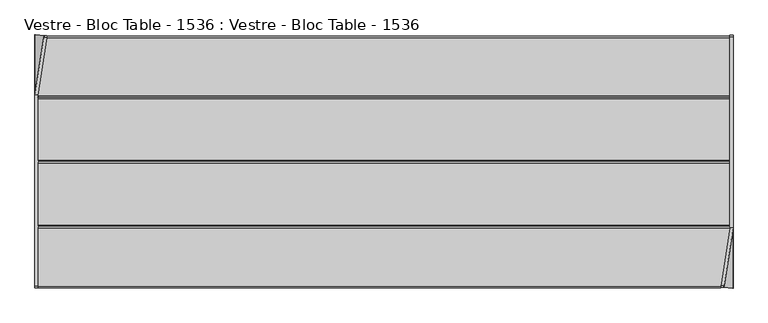
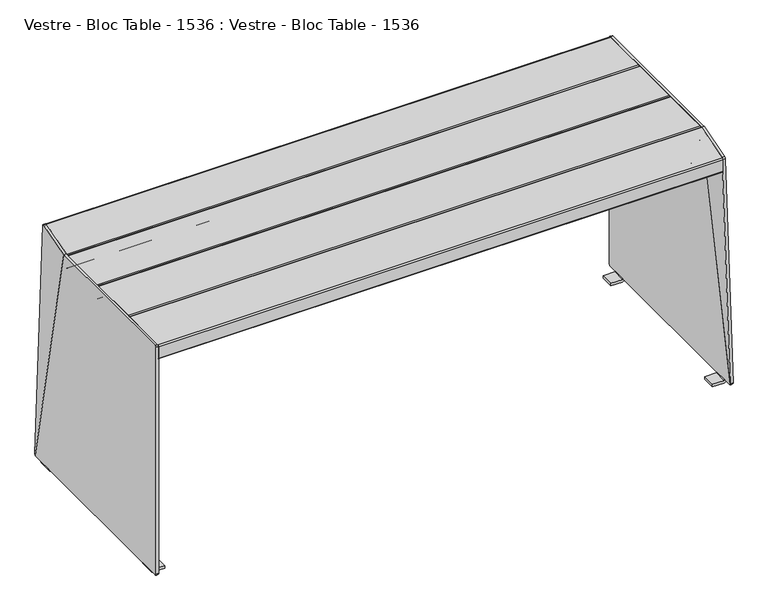
"""IFC4 building model written with IfcOpenShell, lengths in millimetres: furniture geometry, Vestre - Bloc Table - 1536 : Vestre - Bloc Table - 1536."""

from ifc_helpers import new_model, si_unit, point, frame, frame_2d, origin, place, context, project, spatial, polyline, circle_curve, ellipse_curve, trimmed, segment, composite_curve, outline, extrude, source, transform, mapped, element, save
from ifc_brep_helpers import plane_surface, cylinder_surface, revolved_surface, advanced_brep


def vestre_bloc_table_1536_vestre_bloc_table_1536_77d08b72(model_context):
    return source(origin(), model_context, "Body", "SolidModel", [
        extrude(outline(polyline([(20.5020914, -284.4050005), (-20.5020914, -284.4050005), (-20.5020914, 284.4050005), (20.5020914, 284.4050005), (20.5020914, -284.4050005)])), frame((0.0, 0.0, 689.0027779), z_axis=(0.0, 0.0, 1.0), x_axis=(1.0, 0.0, 0.0)), (0.0, 0.0, 1.0), 6.0),
        advanced_brep(
        [(-860.5, -165.5197755, 695.0027779), (-860.5, -311.0, 695.0027779), (-860.5, -315.0, 699.0027779), (-860.5, -315.0, 736.0027779), (-860.5, -311.0, 740.0027779), (-860.5, -165.47777, 740.0027779), (-860.5, -161.5197755, 736.0447834), (-860.5, -161.5197755, 699.0027779), (861.0694092, -161.5197755, 699.0027779), (860.44915, -165.5197755, 695.0027779), (861.0694092, -161.5197755, 736.0447834), (860.4556636, -165.47777, 740.0027779), (837.8902902, -311.0, 740.0027779), (837.2700311, -315.0, 736.0027779), (837.2700311, -315.0, 699.0027779), (837.8902902, -311.0, 695.0027779)],
        [
            (0, 1),
            (1, 2, circle_curve(frame((-860.5, -311.0, 699.0027779), z_axis=(-1.0, 0.0, 0.0), x_axis=(0.0, -1.0, 0.0)), 4.0)),
            (2, 3),
            (3, 4, circle_curve(frame((-860.5, -311.0, 736.0027779), z_axis=(-1.0, 0.0, 0.0), x_axis=(0.0, -1.0, 0.0)), 4.0)),
            (4, 5),
            (5, 6, circle_curve(frame((-860.5, -165.47777, 736.0447834), z_axis=(-1.0, 0.0, 0.0), x_axis=(0.0, -1.0, 0.0)), 3.9579945)),
            (6, 7),
            (7, 0, circle_curve(frame((-860.5, -165.5197755, 699.0027779), z_axis=(-1.0, 0.0, 0.0), x_axis=(0.0, -1.0, 0.0)), 4.0)),
            (7, 8),
            (8, 9, ellipse_curve(frame((860.44915, -165.5197755, 699.0027779), z_axis=(-0.9881900135788402, 0.15323347239768378, 0.0), x_axis=(0.15323347239768342, 0.9881900135788402, 0.0)), 4.0478045, 4.0)),
            (9, 0),
            (6, 10),
            (10, 8),
            (5, 11),
            (11, 10, ellipse_curve(frame((860.4556636, -165.47777, 736.0447834), z_axis=(-0.9881900135788402, 0.15323347239768378, 0.0), x_axis=(0.15323347239768342, 0.9881900135788402, 0.0)), 4.005297, 3.9579945)),
            (4, 12),
            (12, 11),
            (3, 13),
            (13, 12, ellipse_curve(frame((837.8902902, -311.0, 736.0027779), z_axis=(-0.9881900135788402, 0.15323347239768378, 0.0), x_axis=(0.15323347239768342, 0.9881900135788402, 0.0)), 4.0478045, 4.0)),
            (2, 14),
            (14, 13),
            (1, 15),
            (15, 14, ellipse_curve(frame((837.8902902, -311.0, 699.0027779), z_axis=(-0.9881900135788402, 0.15323347239768378, 0.0), x_axis=(0.15323347239768342, 0.9881900135788402, 0.0)), 4.0478045, 4.0)),
            (9, 15),
        ],
        [
            plane_surface(frame((-860.5, -169.5197755, 699.0027779), z_axis=(-1.0, 0.0, 0.0), x_axis=(0.0, 0.0, 1.0))),
            cylinder_surface(frame((-860.5, -165.5197755, 699.0027779), z_axis=(1.0, 0.0, 0.0), x_axis=(0.0, -1.0, 0.0)), 4.0),
            plane_surface(frame((885.920291, -161.5197755, 699.0027779), z_axis=(0.0, 1.0, 0.0), x_axis=(-1.0, 0.0, 0.0))),
            cylinder_surface(frame((-860.5, -165.47777, 736.0447834), z_axis=(1.0, 0.0, 0.0), x_axis=(0.0, -1.0, 0.0)), 3.9579945),
            plane_surface(frame((885.920291, -165.47777, 740.0027779), z_axis=(0.0, 0.0, 1.0), x_axis=(-1.0, 0.0, 0.0))),
            cylinder_surface(frame((-860.5, -311.0, 736.0027779), z_axis=(1.0, 0.0, 0.0), x_axis=(0.0, -1.0, 0.0)), 4.0),
            plane_surface(frame((885.920291, -315.0, 736.0027779), z_axis=(0.0, -1.0, 0.0), x_axis=(-1.0, 0.0, 0.0))),
            cylinder_surface(frame((-860.5, -311.0, 699.0027779), z_axis=(1.0, 0.0, 0.0), x_axis=(0.0, -1.0, 0.0)), 4.0),
            plane_surface(frame((885.920291, -311.0, 695.0027779), z_axis=(0.0, 0.0, -1.0), x_axis=(-1.0, 0.0, 0.0))),
            plane_surface(frame((885.106742, -6.5050005, 926.3186027), z_axis=(0.9881900135788402, -0.15323347239768378, 0.0), x_axis=(0.0, 0.0, -1.0))),
        ],
        [
            (0, [[1, 2, 3, 4, 5, 6, 7, 8]]),
            (1, [[-8, 9, 10, 11]]),
            (2, [[-7, 12, 13, -9]]),
            (3, [[-6, 14, 15, -12]]),
            (4, [[-5, 16, 17, -14]]),
            (5, [[-4, 18, 19, -16]]),
            (6, [[-3, 20, 21, -18]]),
            (7, [[-2, 22, 23, -20]]),
            (8, [[-1, -11, 24, -22]]),
            (9, [[-10, -13, -15, -17, -19, -21, -23, -24]]),
        ],
    ),
        extrude(outline(composite_curve([segment(polyline([(-4.0, -4.0), (-4.0, 142.5065702), (724.3734252, -7.1592021)]), True, "CONTINUOUS"), segment(trimmed(circle_curve(frame_2d((720.6931054, 0.4751026)), 8.4751025), [point((724.3734252, -7.1592021))], [point((720.6931054, -7.9999999))], False, "CARTESIAN"), True, "CONTINUOUS"), segment(polyline([(720.6931054, -7.9999999), (0.0, -8.0)]), True, "CONTINUOUS"), segment(trimmed(circle_curve(frame_2d((1e-07, -4.0)), 4.0), [point((0.0, -8.0))], [point((-4.0, -4.0))], False, "CARTESIAN"), True, "CONTINUOUS")], self_intersect=False)), frame((839.0093268, -304.6053434, 735.5079473), z_axis=(0.9876883405951369, -0.1532330209847901, 0.031486237188651775), x_axis=(0.03148623718865165, -0.0024273077148592374, -0.9995012381407826)), (0.0, 0.0, 1.0), 8.0),
        advanced_brep(
        [(822.0, -284.4050005, 695.0027779), (814.0, -284.4050005, 687.0027779), (814.0, -284.4050005, 682.0027779), (820.0, -284.4050005, 682.0027779), (820.0, -284.4050005, 687.0027779), (822.0, -284.4050005, 689.0027779), (842.0142381, -284.4050005, 689.0027779), (842.0142381, -284.4050005, 695.0027779), (822.0, 284.4050005, 689.0027779), (820.0, 284.4050005, 687.0027779), (820.0, 284.4050005, 682.0027779), (814.0, 284.4050005, 682.0027779), (814.0, 284.4050005, 687.0027779), (822.0, 284.4050005, 695.0027779), (860.0, 284.4050005, 695.0027779), (860.0, 284.4050005, 689.0027779), (860.0, -168.4163069, 695.0027779), (860.0, -168.4163069, 689.0027779), (814.0, 221.626226, 664.5853587), (814.0, 218.262862, 664.0027779), (814.0, -218.272863, 664.0027779), (814.0, -221.636227, 664.5853587), (820.0, -221.636227, 664.5853587), (820.0, -218.272863, 664.0027779), (820.0, 218.262862, 664.0027779), (820.0, 221.626226, 664.5853587)],
        [
            (0, 1, circle_curve(frame((822.0, -284.4050005, 687.0027779), z_axis=(0.0, -1.0, 0.0), x_axis=(-1.0, 0.0, 0.0)), 8.0)),
            (1, 2),
            (2, 3),
            (3, 4),
            (4, 5, circle_curve(frame((822.0, -284.4050005, 687.0027779), z_axis=(0.0, 1.0, 0.0), x_axis=(-1.0, 0.0, 0.0)), 2.0)),
            (5, 6),
            (6, 7),
            (7, 0),
            (8, 9, circle_curve(frame((822.0, 284.4050005, 687.0027779), z_axis=(0.0, -1.0, 0.0), x_axis=(-1.0, 0.0, 0.0)), 2.0)),
            (9, 10),
            (10, 11),
            (11, 12),
            (12, 13, circle_curve(frame((822.0, 284.4050005, 687.0027779), z_axis=(0.0, 1.0, 0.0), x_axis=(-1.0, 0.0, 0.0)), 8.0)),
            (13, 14),
            (14, 15),
            (15, 8),
            (4, 9),
            (8, 5),
            (0, 13),
            (12, 1),
            (7, 16),
            (16, 14),
            (16, 17),
            (17, 15),
            (17, 6),
            (11, 18),
            (18, 19, circle_curve(frame((814.0, 218.262862, 674.0027779), z_axis=(-1.0, 0.0, 0.0), x_axis=(0.0, -1.0, 0.0)), 10.0)),
            (19, 20),
            (20, 21, circle_curve(frame((814.0, -218.272863, 674.0027779), z_axis=(-1.0, 0.0, 0.0), x_axis=(0.0, -1.0, 0.0)), 10.0)),
            (21, 2),
            (3, 22),
            (22, 23, circle_curve(frame((820.0, -218.272863, 674.0027779), z_axis=(1.0, 0.0, 0.0), x_axis=(0.0, -1.0, 0.0)), 10.0)),
            (23, 24),
            (24, 25, circle_curve(frame((820.0, 218.262862, 674.0027779), z_axis=(1.0, 0.0, 0.0), x_axis=(0.0, -1.0, 0.0)), 10.0)),
            (25, 10),
            (21, 22),
            (20, 23),
            (19, 24),
            (18, 25),
        ],
        [
            plane_surface(frame((860.0, -284.4050005, 689.0027779), z_axis=(0.0, -1.0, 0.0), x_axis=(1.0, 0.0, 0.0))),
            plane_surface(frame((860.0, 284.4050005, 689.0027779), z_axis=(0.0, 1.0, 0.0), x_axis=(-1.0, 0.0, 0.0))),
            revolved_surface(polyline([(820.0, 284.4050005, 687.0027779), (820.0, -284.4050005, 687.0027779)]), (822.0, 284.4050005, 687.0027779), (0.0, 1.0, 0.0)),
            cylinder_surface(frame((822.0, 284.4050005, 687.0027779), z_axis=(0.0, -1.0, 0.0), x_axis=(-1.0, 0.0, 0.0)), 8.0),
            plane_surface(frame((860.0, -284.4050005, 695.0027779), z_axis=(0.0, 0.0, 1.0), x_axis=(0.0, 1.0, 0.0))),
            plane_surface(frame((860.0, -284.4050005, 689.0027779), z_axis=(1.0, 0.0, 0.0), x_axis=(0.0, 1.0, 0.0))),
            plane_surface(frame((822.0, -284.4050005, 689.0027779), z_axis=(0.0, 0.0, -1.0), x_axis=(0.0, 1.0, 0.0))),
            plane_surface(frame((814.0, -284.4050005, 687.0027779), z_axis=(-1.0, 0.0, 0.0), x_axis=(0.0, 0.0, 1.0))),
            plane_surface(frame((820.0, -284.4050005, 687.0027779), z_axis=(1.0, 0.0, 0.0), x_axis=(0.0, 0.0, -1.0))),
            plane_surface(frame((814.0, -221.636227, 664.5853587), z_axis=(0.0, -0.26738231551867175, -0.9635905236914036), x_axis=(1.0, 0.0, 0.0))),
            cylinder_surface(frame((820.0, -218.272863, 674.0027779), z_axis=(-1.0, 0.0, 0.0), x_axis=(0.0, -1.0, 0.0)), 10.0),
            plane_surface(frame((814.0, 218.262862, 664.0027779), z_axis=(0.0, 0.0, -1.0), x_axis=(1.0, 0.0, 0.0))),
            cylinder_surface(frame((820.0, 218.262862, 674.0027779), z_axis=(-1.0, 0.0, 0.0), x_axis=(0.0, -1.0, 0.0)), 10.0),
            plane_surface(frame((814.0, 284.4050005, 682.0027779), z_axis=(0.0, 0.2673427646759247, -0.9636014975992063), x_axis=(1.0, 0.0, 0.0))),
            plane_surface(frame((885.106742, -6.5050005, 926.3186027), z_axis=(0.9881900135788402, -0.15323347239768378, 0.0), x_axis=(0.0, 0.0, -1.0))),
        ],
        [
            (0, [[1, 2, 3, 4, 5, 6, 7, 8]]),
            (1, [[9, 10, 11, 12, 13, 14, 15, 16]]),
            (2, [[-5, 17, -9, 18]]),
            (3, [[-1, 19, -13, 20]]),
            (4, [[-14, -19, -8, 21, 22]]),
            (5, [[-15, -22, 23, 24]]),
            (6, [[-16, -24, 25, -6, -18]]),
            (7, [[-2, -20, -12, 26, 27, 28, 29, 30]]),
            (8, [[31, 32, 33, 34, 35, -10, -17, -4]]),
            (9, [[-30, 36, -31, -3]]),
            (10, [[-29, 37, -32, -36]]),
            (11, [[-28, 38, -33, -37]]),
            (12, [[-27, 39, -34, -38]]),
            (13, [[-26, -11, -35, -39]]),
            (14, [[-7, -25, -23, -21]]),
        ],
    ),
        advanced_brep(
        [(806.0, -284.4050005, 689.0027779), (808.0, -284.4050005, 687.0027779), (808.0, -284.4050005, 682.0027779), (814.0, -284.4050005, 682.0027779), (814.0, -284.4050005, 687.0027779), (806.0, -284.4050005, 695.0027779), (768.0, -284.4050005, 695.0027779), (768.0, -284.4050005, 689.0027779), (806.0, 284.4050005, 689.0027779), (768.0, 284.4050005, 689.0027779), (768.0, 284.4050005, 695.0027779), (806.0, 284.4050005, 695.0027779), (814.0, 284.4050005, 687.0027779), (814.0, 284.4050005, 682.0027779), (808.0, 284.4050005, 682.0027779), (808.0, 284.4050005, 687.0027779), (814.0, -221.636227, 664.5853587), (814.0, -218.272863, 664.0027779), (814.0, 218.262862, 664.0027779), (814.0, 221.626226, 664.5853587), (808.0, 221.626226, 664.5853587), (808.0, 218.262862, 664.0027779), (808.0, -218.272863, 664.0027779), (808.0, -221.636227, 664.5853587)],
        [
            (0, 1, circle_curve(frame((806.0, -284.4050005, 687.0027779), z_axis=(0.0, 1.0, 0.0), x_axis=(1.0, 0.0, 0.0)), 2.0)),
            (1, 2),
            (2, 3),
            (3, 4),
            (4, 5, circle_curve(frame((806.0, -284.4050005, 687.0027779), z_axis=(0.0, -1.0, 0.0), x_axis=(1.0, 0.0, 0.0)), 8.0)),
            (5, 6),
            (6, 7),
            (7, 0),
            (8, 9),
            (9, 10),
            (10, 11),
            (11, 12, circle_curve(frame((806.0, 284.4050005, 687.0027779), z_axis=(0.0, 1.0, 0.0), x_axis=(1.0, 0.0, 0.0)), 8.0)),
            (12, 13),
            (13, 14),
            (14, 15),
            (15, 8, circle_curve(frame((806.0, 284.4050005, 687.0027779), z_axis=(0.0, -1.0, 0.0), x_axis=(1.0, 0.0, 0.0)), 2.0)),
            (0, 8),
            (15, 1),
            (4, 12),
            (11, 5),
            (10, 6),
            (9, 7),
            (3, 16),
            (16, 17, circle_curve(frame((814.0, -218.272863, 674.0027779), z_axis=(1.0, 0.0, 0.0), x_axis=(0.0, -1.0, 0.0)), 10.0)),
            (17, 18),
            (18, 19, circle_curve(frame((814.0, 218.262862, 674.0027779), z_axis=(1.0, 0.0, 0.0), x_axis=(0.0, -1.0, 0.0)), 10.0)),
            (19, 13),
            (14, 20),
            (20, 21, circle_curve(frame((808.0, 218.262862, 674.0027779), z_axis=(-1.0, 0.0, 0.0), x_axis=(0.0, -1.0, 0.0)), 10.0)),
            (21, 22),
            (22, 23, circle_curve(frame((808.0, -218.272863, 674.0027779), z_axis=(-1.0, 0.0, 0.0), x_axis=(0.0, -1.0, 0.0)), 10.0)),
            (23, 2),
            (23, 16),
            (22, 17),
            (21, 18),
            (20, 19),
        ],
        [
            plane_surface(frame((808.0, -284.4050005, 687.0027779), z_axis=(0.0, -1.0, 0.0), x_axis=(0.0, 0.0, -1.0))),
            plane_surface(frame((808.0, 284.4050005, 687.0027779), z_axis=(0.0, 1.0, 0.0), x_axis=(0.0, 0.0, 1.0))),
            revolved_surface(polyline([(808.0, 284.4050005, 687.0027779), (808.0, -284.4050005, 687.0027779)]), (806.0, 284.4050005, 687.0027779), (0.0, 1.0, 0.0)),
            cylinder_surface(frame((806.0, 284.4050005, 687.0027779), z_axis=(0.0, -1.0, 0.0), x_axis=(1.0, 0.0, 0.0)), 8.0),
            plane_surface(frame((806.0, -284.4050005, 695.0027779), z_axis=(0.0, 0.0, 1.0), x_axis=(0.0, 1.0, 0.0))),
            plane_surface(frame((768.0, -284.4050005, 695.0027779), z_axis=(-1.0, 0.0, 0.0), x_axis=(0.0, 1.0, 0.0))),
            plane_surface(frame((768.0, -284.4050005, 689.0027779), z_axis=(0.0, 0.0, -1.0), x_axis=(0.0, 1.0, 0.0))),
            plane_surface(frame((814.0, -221.636227, 664.5853587), z_axis=(1.0, 0.0, 0.0), x_axis=(0.0, 0.9635905236914036, -0.26738231551867175))),
            plane_surface(frame((808.0, -221.636227, 664.5853587), z_axis=(-1.0, 0.0, 0.0), x_axis=(0.0, -0.9635905236914036, 0.26738231551867175))),
            plane_surface(frame((814.0, -284.4050005, 682.0027779), z_axis=(0.0, -0.26738231551867175, -0.9635905236914036), x_axis=(-1.0, 0.0, 0.0))),
            cylinder_surface(frame((808.0, -218.272863, 674.0027779), z_axis=(1.0, 0.0, 0.0), x_axis=(0.0, -1.0, 0.0)), 10.0),
            plane_surface(frame((814.0, -218.272863, 664.0027779), z_axis=(0.0, 0.0, -1.0), x_axis=(-1.0, 0.0, 0.0))),
            cylinder_surface(frame((808.0, 218.262862, 674.0027779), z_axis=(1.0, 0.0, 0.0), x_axis=(0.0, -1.0, 0.0)), 10.0),
            plane_surface(frame((814.0, 221.626226, 664.5853587), z_axis=(0.0, 0.2673427646759247, -0.9636014975992063), x_axis=(-1.0, 0.0, 0.0))),
        ],
        [
            (0, [[1, 2, 3, 4, 5, 6, 7, 8]]),
            (1, [[9, 10, 11, 12, 13, 14, 15, 16]]),
            (2, [[-1, 17, -16, 18]]),
            (3, [[-5, 19, -12, 20]]),
            (4, [[-6, -20, -11, 21]]),
            (5, [[-7, -21, -10, 22]]),
            (6, [[-8, -22, -9, -17]]),
            (7, [[23, 24, 25, 26, 27, -13, -19, -4]]),
            (8, [[-2, -18, -15, 28, 29, 30, 31, 32]]),
            (9, [[-23, -3, -32, 33]]),
            (10, [[-24, -33, -31, 34]]),
            (11, [[-25, -34, -30, 35]]),
            (12, [[-26, -35, -29, 36]]),
            (13, [[-27, -36, -28, -14]]),
        ],
    ),
        advanced_brep(
        [(824.181415, -285.0, 0.0), (858.5, -285.0, 0.0), (868.5, -285.0, 10.0), (860.5, -285.0, 10.0), (858.5, -285.0, 8.0), (824.181415, -285.0, 8.0), (824.181415, -245.0, 0.0), (824.181415, -245.0, 8.0), (858.5, -245.0, 8.0), (860.5, -245.0, 10.0), (868.5, -245.0, 10.0), (858.5, -245.0, 0.0), (824.181415, 285.0, 0.0), (824.181415, 285.0, 8.0), (858.5, 285.0, 8.0), (860.5, 285.0, 10.0), (868.5, 285.0, 10.0), (858.5, 285.0, 0.0), (824.181415, 245.0, 0.0), (858.5, 245.0, 0.0), (868.5, 245.0, 10.0), (860.5, 245.0, 10.0), (858.5, 245.0, 8.0), (824.181415, 245.0, 8.0), (868.5, -165.0, 740.0), (868.5, -314.6452505, 11.7264477), (868.5, -311.3305667, 10.0), (868.5, 311.0, 10.0), (868.5, 315.0, 14.0), (868.5, 315.0, 736.0), (868.5, 311.0, 740.0), (860.5, -165.0, 740.0), (860.5, 311.0, 740.0), (860.5, 315.0, 736.0), (860.5, 315.0, 14.0), (860.5, 311.0, 10.0), (860.5, -311.3305667, 10.0), (860.5, -314.6452505, 11.7264477)],
        [
            (0, 1),
            (1, 2, circle_curve(frame((858.5, -285.0, 10.0), z_axis=(0.0, -1.0, 0.0), x_axis=(-1.0, 0.0, 0.0)), 10.0)),
            (2, 3),
            (3, 4, circle_curve(frame((858.5, -285.0, 10.0), z_axis=(0.0, 1.0, 0.0), x_axis=(-1.0, 0.0, 0.0)), 2.0)),
            (4, 5),
            (5, 0),
            (6, 7),
            (7, 8),
            (8, 9, circle_curve(frame((858.5, -245.0, 10.0), z_axis=(0.0, -1.0, 0.0), x_axis=(-1.0, 0.0, 0.0)), 2.0)),
            (9, 10),
            (10, 11, circle_curve(frame((858.5, -245.0, 10.0), z_axis=(0.0, 1.0, 0.0), x_axis=(-1.0, 0.0, 0.0)), 10.0)),
            (11, 6),
            (5, 7),
            (6, 0),
            (4, 8),
            (11, 1),
            (3, 9),
            (10, 2),
            (12, 13),
            (13, 14),
            (14, 15, circle_curve(frame((858.5, 285.0, 10.0), z_axis=(0.0, -1.0, 0.0), x_axis=(-1.0, 0.0, 0.0)), 2.0)),
            (15, 16),
            (16, 17, circle_curve(frame((858.5, 285.0, 10.0), z_axis=(0.0, 1.0, 0.0), x_axis=(-1.0, 0.0, 0.0)), 10.0)),
            (17, 12),
            (18, 19),
            (19, 20, circle_curve(frame((858.5, 245.0, 10.0), z_axis=(0.0, -1.0, 0.0), x_axis=(-1.0, 0.0, 0.0)), 10.0)),
            (20, 21),
            (21, 22, circle_curve(frame((858.5, 245.0, 10.0), z_axis=(0.0, 1.0, 0.0), x_axis=(-1.0, 0.0, 0.0)), 2.0)),
            (22, 23),
            (23, 18),
            (12, 18),
            (23, 13),
            (22, 14),
            (17, 19),
            (21, 15),
            (16, 20),
            (24, 25),
            (25, 26, circle_curve(frame((868.5, -311.3305667, 14.0452283), z_axis=(1.0, 0.0, 0.0), x_axis=(0.0, 1.0, 0.0)), 4.0452283)),
            (26, 2),
            (10, 20),
            (16, 27),
            (27, 28, circle_curve(frame((868.5, 311.0, 14.0), z_axis=(1.0, 0.0, 0.0), x_axis=(0.0, 1.0, 0.0)), 4.0)),
            (28, 29),
            (29, 30, circle_curve(frame((868.5, 311.0, 736.0), z_axis=(1.0, 0.0, 0.0), x_axis=(0.0, 1.0, 0.0)), 4.0)),
            (30, 24),
            (31, 32),
            (32, 33, circle_curve(frame((860.5, 311.0, 736.0), z_axis=(-1.0, 0.0, 0.0), x_axis=(0.0, 1.0, 0.0)), 4.0)),
            (33, 34),
            (34, 35, circle_curve(frame((860.5, 311.0, 14.0), z_axis=(-1.0, 0.0, 0.0), x_axis=(0.0, 1.0, 0.0)), 4.0)),
            (35, 15),
            (21, 9),
            (3, 36),
            (36, 37, circle_curve(frame((860.5, -311.3305667, 14.0452283), z_axis=(-1.0, 0.0, 0.0), x_axis=(0.0, 1.0, 0.0)), 4.0452283)),
            (37, 31),
            (24, 31),
            (37, 25),
            (36, 26),
            (35, 27),
            (34, 28),
            (33, 29),
            (32, 30),
        ],
        [
            plane_surface(frame((858.5, -285.0, 0.0), z_axis=(0.0, -1.0, 0.0), x_axis=(1.0, 0.0, 0.0))),
            plane_surface(frame((858.5, -245.0, 0.0), z_axis=(0.0, 1.0, 0.0), x_axis=(-1.0, 0.0, 0.0))),
            plane_surface(frame((824.181415, -285.0, 8.0), z_axis=(-1.0, 0.0, 0.0), x_axis=(0.0, 1.0, 0.0))),
            plane_surface(frame((858.5, -285.0, 8.0), z_axis=(0.0, 0.0, 1.0), x_axis=(0.0, 1.0, 0.0))),
            plane_surface(frame((824.181415, -285.0, 0.0), z_axis=(0.0, 0.0, -1.0), x_axis=(0.0, 1.0, 0.0))),
            revolved_surface(polyline([(856.5, -245.0, 10.0), (856.5, -285.0, 10.0)]), (858.5, -245.0, 10.0), (0.0, 1.0, 0.0)),
            cylinder_surface(frame((858.5, -245.0, 10.0), z_axis=(0.0, -1.0, 0.0), x_axis=(-1.0, 0.0, 0.0)), 10.0),
            plane_surface(frame((824.181415, 285.0, 0.0), z_axis=(0.0, 1.0, 0.0), x_axis=(0.0, 0.0, 1.0))),
            plane_surface(frame((824.181415, 245.0, 0.0), z_axis=(0.0, -1.0, 0.0), x_axis=(0.0, 0.0, -1.0))),
            plane_surface(frame((824.181415, 285.0, 0.0), z_axis=(-1.0, 0.0, 0.0), x_axis=(0.0, -1.0, 0.0))),
            plane_surface(frame((824.181415, 285.0, 8.0), z_axis=(0.0, 0.0, 1.0), x_axis=(0.0, -1.0, 0.0))),
            plane_surface(frame((858.5, 285.0, 0.0), z_axis=(0.0, 0.0, -1.0), x_axis=(0.0, -1.0, 0.0))),
            revolved_surface(polyline([(856.5, 245.0, 10.0), (856.5, 285.0, 10.0)]), (858.5, 245.0, 10.0), (0.0, -1.0, 0.0)),
            cylinder_surface(frame((858.5, 245.0, 10.0), z_axis=(0.0, 1.0, 0.0), x_axis=(-1.0, 0.0, 0.0)), 10.0),
            plane_surface(frame((868.5, -314.3240748, 13.2895027), z_axis=(1.0000000000000002, 0.0, 0.0), x_axis=(0.0, -0.20127429834973676, -0.9795349186342575))),
            plane_surface(frame((860.5, -314.3240748, 13.2895027), z_axis=(-1.0000000000000002, 0.0, 0.0), x_axis=(0.0, 0.20127429834973676, 0.9795349186342575))),
            plane_surface(frame((868.5, -165.0, 740.0), z_axis=(0.0, -0.9795349186342575, 0.20127429834973676), x_axis=(-1.0, 0.0, 0.0))),
            cylinder_surface(frame((860.5, -311.3305667, 14.0452283), z_axis=(1.0, 0.0, 0.0), x_axis=(0.0, 1.0, 0.0)), 4.0452283),
            plane_surface(frame((868.5, -311.3305667, 10.0), z_axis=(0.0, 0.0, -1.0), x_axis=(-1.0, 0.0, 0.0))),
            cylinder_surface(frame((860.5, 311.0, 14.0), z_axis=(1.0, 0.0, 0.0), x_axis=(0.0, 1.0, 0.0)), 4.0),
            plane_surface(frame((868.5, 315.0, 14.0), z_axis=(0.0, 1.0, 0.0), x_axis=(-1.0, 0.0, 0.0))),
            cylinder_surface(frame((860.5, 311.0, 736.0), z_axis=(1.0, 0.0, 0.0), x_axis=(0.0, 1.0, 0.0)), 4.0),
            plane_surface(frame((868.5, 311.0, 740.0), z_axis=(0.0, 0.0, 1.0), x_axis=(-1.0, 0.0, 0.0))),
        ],
        [
            (0, [[1, 2, 3, 4, 5, 6]]),
            (1, [[7, 8, 9, 10, 11, 12]]),
            (2, [[-6, 13, -7, 14]]),
            (3, [[-5, 15, -8, -13]]),
            (4, [[-1, -14, -12, 16]]),
            (5, [[-4, 17, -9, -15]]),
            (6, [[-2, -16, -11, 18]]),
            (7, [[19, 20, 21, 22, 23, 24]]),
            (8, [[25, 26, 27, 28, 29, 30]]),
            (9, [[-19, 31, -30, 32]]),
            (10, [[-20, -32, -29, 33]]),
            (11, [[-24, 34, -25, -31]]),
            (12, [[-21, -33, -28, 35]]),
            (13, [[-23, 36, -26, -34]]),
            (14, [[37, 38, 39, -18, 40, -36, 41, 42, 43, 44, 45]]),
            (15, [[46, 47, 48, 49, 50, -35, 51, -17, 52, 53, 54]]),
            (16, [[-37, 55, -54, 56]]),
            (17, [[-38, -56, -53, 57]]),
            (18, [[-40, -10, -51, -27]]),
            (18, [[-57, -52, -3, -39]]),
            (18, [[58, -41, -22, -50]]),
            (19, [[-42, -58, -49, 59]]),
            (20, [[-43, -59, -48, 60]]),
            (21, [[-44, -60, -47, 61]]),
            (22, [[-45, -61, -46, -55]]),
        ],
    ),
        advanced_brep(
        [(860.5, 308.4275882, 695.0027779), (860.5, 312.4275882, 699.0027779), (860.5, 312.4275882, 736.0447834), (860.5, 308.4695937, 740.0027779), (860.5, 164.0, 740.0027779), (860.5, 160.0, 736.0027779), (860.5, 160.0, 699.0027779), (860.5, 164.0, 695.0027779), (-838.2891807, 308.4275882, 695.0027779), (-837.6689216, 312.4275882, 699.0027779), (-837.6689216, 312.4275882, 736.0447834), (-838.2826671, 308.4695937, 740.0027779), (-860.6848137, 164.0, 740.0027779), (-861.3050728, 160.0, 736.0027779), (-861.3050728, 160.0, 699.0027779), (-860.6848137, 164.0, 695.0027779)],
        [
            (0, 1, circle_curve(frame((860.5, 308.4275882, 699.0027779), z_axis=(1.0, 0.0, 0.0), x_axis=(0.0, -1.0, 0.0)), 4.0)),
            (1, 2),
            (2, 3, circle_curve(frame((860.5, 308.4695937, 736.0447834), z_axis=(1.0, 0.0, 0.0), x_axis=(0.0, -1.0, 0.0)), 3.9579945)),
            (3, 4),
            (4, 5, circle_curve(frame((860.5, 164.0, 736.0027779), z_axis=(1.0, 0.0, 0.0), x_axis=(0.0, -1.0, 0.0)), 4.0)),
            (5, 6),
            (6, 7, circle_curve(frame((860.5, 164.0, 699.0027779), z_axis=(1.0, 0.0, 0.0), x_axis=(0.0, -1.0, 0.0)), 4.0)),
            (7, 0),
            (0, 8),
            (8, 9, ellipse_curve(frame((-838.2891807, 308.4275882, 699.0027779), z_axis=(0.9881900135788402, -0.1532334723976838, 0.0), x_axis=(0.15323347239768342, 0.9881900135788403, 0.0)), 4.0478045, 4.0)),
            (9, 1),
            (9, 10),
            (10, 2),
            (10, 11, ellipse_curve(frame((-838.2826671, 308.4695937, 736.0447834), z_axis=(0.9881900135788402, -0.1532334723976838, 0.0), x_axis=(0.15323347239768342, 0.9881900135788403, 0.0)), 4.005297, 3.9579945)),
            (11, 3),
            (11, 12),
            (12, 4),
            (12, 13, ellipse_curve(frame((-860.6848137, 164.0, 736.0027779), z_axis=(0.9881900135788402, -0.1532334723976838, 0.0), x_axis=(0.15323347239768342, 0.9881900135788403, 0.0)), 4.0478045, 4.0)),
            (13, 5),
            (13, 14),
            (14, 6),
            (14, 15, ellipse_curve(frame((-860.6848137, 164.0, 699.0027779), z_axis=(0.9881900135788402, -0.1532334723976838, 0.0), x_axis=(0.15323347239768342, 0.9881900135788403, 0.0)), 4.0478045, 4.0)),
            (15, 7),
            (15, 8),
        ],
        [
            plane_surface(frame((860.5, 304.4275882, 699.0027779), z_axis=(1.0, 0.0, 0.0), x_axis=(0.0, 0.0, -1.0))),
            cylinder_surface(frame((-878.2410085, 308.4275882, 699.0027779), z_axis=(1.0, 0.0, 0.0), x_axis=(0.0, -1.0, 0.0)), 4.0),
            plane_surface(frame((860.5, 312.4275882, 699.0027779), z_axis=(0.0, 1.0, 0.0), x_axis=(-1.0, 0.0, 0.0))),
            cylinder_surface(frame((-878.2410085, 308.4695937, 736.0447834), z_axis=(1.0, 0.0, 0.0), x_axis=(0.0, -1.0, 0.0)), 3.9579945),
            plane_surface(frame((860.5, 308.4695937, 740.0027779), z_axis=(0.0, 0.0, 1.0), x_axis=(-1.0, 0.0, 0.0))),
            cylinder_surface(frame((-878.2410085, 164.0, 736.0027779), z_axis=(1.0, 0.0, 0.0), x_axis=(0.0, -1.0, 0.0)), 4.0),
            plane_surface(frame((860.5, 160.0, 736.0027779), z_axis=(0.0, -1.0, 0.0), x_axis=(-1.0, 0.0, 0.0))),
            cylinder_surface(frame((-878.2410085, 164.0, 699.0027779), z_axis=(1.0, 0.0, 0.0), x_axis=(0.0, -1.0, 0.0)), 4.0),
            plane_surface(frame((860.5, 164.0, 695.0027779), z_axis=(0.0, 0.0, -1.0), x_axis=(-1.0, 0.0, 0.0))),
            plane_surface(frame((-889.7830221, -23.6519438, 926.3186027), z_axis=(-0.9881900135788402, 0.1532334723976838, 0.0), x_axis=(0.0, 0.0, -1.0))),
        ],
        [
            (0, [[1, 2, 3, 4, 5, 6, 7, 8]]),
            (1, [[-1, 9, 10, 11]]),
            (2, [[-2, -11, 12, 13]]),
            (3, [[-3, -13, 14, 15]]),
            (4, [[-4, -15, 16, 17]]),
            (5, [[-5, -17, 18, 19]]),
            (6, [[-6, -19, 20, 21]]),
            (7, [[-7, -21, 22, 23]]),
            (8, [[-8, -23, 24, -9]]),
            (9, [[-10, -24, -22, -20, -18, -16, -14, -12]]),
        ],
    ),
        extrude(outline(composite_curve([segment(polyline([(156.0, 695.0027779), (4.0, 695.0027779)]), True, "CONTINUOUS"), segment(trimmed(circle_curve(frame_2d((4.0, 699.0027779)), 4.0), [point((4.0, 695.0027779))], [point((0.0, 699.0027779))], False, "CARTESIAN"), True, "CONTINUOUS"), segment(polyline([(0.0, 699.0027779), (0.0, 736.0027779)]), True, "CONTINUOUS"), segment(trimmed(circle_curve(frame_2d((4.0, 736.0027779)), 4.0), [point((0.0, 736.0027779))], [point((4.0, 740.0027779))], False, "CARTESIAN"), True, "CONTINUOUS"), segment(polyline([(4.0, 740.0027779), (156.0420055, 740.0027779)]), True, "CONTINUOUS"), segment(trimmed(circle_curve(frame_2d((156.0420055, 736.0447834)), 3.9579945), [point((156.0420055, 740.0027779))], [point((160.0, 736.0447834))], False, "CARTESIAN"), True, "CONTINUOUS"), segment(polyline([(160.0, 736.0447834), (160.0, 699.0027779)]), True, "CONTINUOUS"), segment(trimmed(circle_curve(frame_2d((156.0, 699.0027779)), 4.0), [point((160.0, 699.0027779))], [point((156.0, 695.0027779))], False, "CARTESIAN"), True, "CONTINUOUS")], self_intersect=False)), frame((-860.5, 0.0, 0.0), z_axis=(1.0, 0.0, 0.0), x_axis=(0.0, 1.0, 0.0)), (0.0, 0.0, 1.0), 1721.0),
        extrude(outline(composite_curve([segment(polyline([(-4.0, 695.0027779), (-157.5197755, 695.0027779)]), True, "CONTINUOUS"), segment(trimmed(circle_curve(frame_2d((-157.5197755, 699.0027779)), 4.0), [point((-157.5197755, 695.0027779))], [point((-161.5197755, 699.0027779))], False, "CARTESIAN"), True, "CONTINUOUS"), segment(polyline([(-161.5197755, 699.0027779), (-161.5197755, 736.0027779)]), True, "CONTINUOUS"), segment(trimmed(circle_curve(frame_2d((-157.5197755, 736.0027779)), 4.0), [point((-161.5197755, 736.0027779))], [point((-157.5197755, 740.0027779))], False, "CARTESIAN"), True, "CONTINUOUS"), segment(polyline([(-157.5197755, 740.0027779), (-3.9579945, 740.0027779)]), True, "CONTINUOUS"), segment(trimmed(circle_curve(frame_2d((-3.9579945, 736.0447834)), 3.9579945), [point((-3.9579945, 740.0027779))], [point((0.0, 736.0447834))], False, "CARTESIAN"), True, "CONTINUOUS"), segment(polyline([(0.0, 736.0447834), (0.0, 699.0027779)]), True, "CONTINUOUS"), segment(trimmed(circle_curve(frame_2d((-4.0, 699.0027779)), 4.0), [point((0.0, 699.0027779))], [point((-4.0, 695.0027779))], False, "CARTESIAN"), True, "CONTINUOUS")], self_intersect=False)), frame((-860.5, 0.0, 0.0), z_axis=(1.0, 0.0, 0.0), x_axis=(0.0, 1.0, 0.0)), (0.0, 0.0, 1.0), 1721.0),
        advanced_brep(
        [(-806.0, -284.4050005, 689.0027779), (-768.0, -284.4050005, 689.0027779), (-768.0, -284.4050005, 695.0027779), (-806.0, -284.4050005, 695.0027779), (-814.0, -284.4050005, 687.0027779), (-814.0, -284.4050005, 682.0027779), (-808.0, -284.4050005, 682.0027779), (-808.0, -284.4050005, 687.0027779), (-806.0, 284.4050005, 689.0027779), (-808.0, 284.4050005, 687.0027779), (-808.0, 284.4050005, 682.0027779), (-814.0, 284.4050005, 682.0027779), (-814.0, 284.4050005, 687.0027779), (-806.0, 284.4050005, 695.0027779), (-768.0, 284.4050005, 695.0027779), (-768.0, 284.4050005, 689.0027779), (-814.0, 221.626226, 664.5853587), (-814.0, 218.262862, 664.0027779), (-814.0, -218.272863, 664.0027779), (-814.0, -221.636227, 664.5853587), (-808.0, -221.636227, 664.5853587), (-808.0, -218.272863, 664.0027779), (-808.0, 218.262862, 664.0027779), (-808.0, 221.626226, 664.5853587)],
        [
            (0, 1),
            (1, 2),
            (2, 3),
            (3, 4, circle_curve(frame((-806.0, -284.4050005, 687.0027779), z_axis=(0.0, -1.0, 0.0), x_axis=(-1.0, 0.0, 0.0)), 8.0)),
            (4, 5),
            (5, 6),
            (6, 7),
            (7, 0, circle_curve(frame((-806.0, -284.4050005, 687.0027779), z_axis=(0.0, 1.0, 0.0), x_axis=(-1.0, 0.0, 0.0)), 2.0)),
            (8, 9, circle_curve(frame((-806.0, 284.4050005, 687.0027779), z_axis=(0.0, -1.0, 0.0), x_axis=(-1.0, 0.0, 0.0)), 2.0)),
            (9, 10),
            (10, 11),
            (11, 12),
            (12, 13, circle_curve(frame((-806.0, 284.4050005, 687.0027779), z_axis=(0.0, 1.0, 0.0), x_axis=(-1.0, 0.0, 0.0)), 8.0)),
            (13, 14),
            (14, 15),
            (15, 8),
            (7, 9),
            (8, 0),
            (3, 13),
            (12, 4),
            (2, 14),
            (1, 15),
            (11, 16),
            (16, 17, circle_curve(frame((-814.0, 218.262862, 674.0027779), z_axis=(-1.0, 0.0, 0.0), x_axis=(0.0, -1.0, 0.0)), 10.0)),
            (17, 18),
            (18, 19, circle_curve(frame((-814.0, -218.272863, 674.0027779), z_axis=(-1.0, 0.0, 0.0), x_axis=(0.0, -1.0, 0.0)), 10.0)),
            (19, 5),
            (6, 20),
            (20, 21, circle_curve(frame((-808.0, -218.272863, 674.0027779), z_axis=(1.0, 0.0, 0.0), x_axis=(0.0, -1.0, 0.0)), 10.0)),
            (21, 22),
            (22, 23, circle_curve(frame((-808.0, 218.262862, 674.0027779), z_axis=(1.0, 0.0, 0.0), x_axis=(0.0, -1.0, 0.0)), 10.0)),
            (23, 10),
            (19, 20),
            (18, 21),
            (17, 22),
            (16, 23),
        ],
        [
            plane_surface(frame((-768.0, -284.4050005, 689.0027779), z_axis=(0.0, -1.0, 0.0), x_axis=(1.0, 0.0, 0.0))),
            plane_surface(frame((-768.0, 284.4050005, 689.0027779), z_axis=(0.0, 1.0, 0.0), x_axis=(-1.0, 0.0, 0.0))),
            revolved_surface(polyline([(-808.0, 284.4050005, 687.0027779), (-808.0, -284.4050005, 687.0027779)]), (-806.0, 284.4050005, 687.0027779), (0.0, 1.0, 0.0)),
            cylinder_surface(frame((-806.0, 284.4050005, 687.0027779), z_axis=(0.0, -1.0, 0.0), x_axis=(-1.0, 0.0, 0.0)), 8.0),
            plane_surface(frame((-768.0, -284.4050005, 695.0027779), z_axis=(0.0, 0.0, 1.0), x_axis=(0.0, 1.0, 0.0))),
            plane_surface(frame((-768.0, -284.4050005, 689.0027779), z_axis=(1.0, 0.0, 0.0), x_axis=(0.0, 1.0, 0.0))),
            plane_surface(frame((-806.0, -284.4050005, 689.0027779), z_axis=(0.0, 0.0, -1.0), x_axis=(0.0, 1.0, 0.0))),
            plane_surface(frame((-814.0, -284.4050005, 687.0027779), z_axis=(-1.0, 0.0, 0.0), x_axis=(0.0, 0.0, 1.0))),
            plane_surface(frame((-808.0, -284.4050005, 687.0027779), z_axis=(1.0, 0.0, 0.0), x_axis=(0.0, 0.0, -1.0))),
            plane_surface(frame((-814.0, -221.636227, 664.5853587), z_axis=(0.0, -0.26738231551867175, -0.9635905236914036), x_axis=(1.0, 0.0, 0.0))),
            cylinder_surface(frame((-808.0, -218.272863, 674.0027779), z_axis=(-1.0, 0.0, 0.0), x_axis=(0.0, -1.0, 0.0)), 10.0),
            plane_surface(frame((-814.0, 218.262862, 664.0027779), z_axis=(0.0, 0.0, -1.0), x_axis=(1.0, 0.0, 0.0))),
            cylinder_surface(frame((-808.0, 218.262862, 674.0027779), z_axis=(-1.0, 0.0, 0.0), x_axis=(0.0, -1.0, 0.0)), 10.0),
            plane_surface(frame((-814.0, 284.4050005, 682.0027779), z_axis=(0.0, 0.2673427646759247, -0.9636014975992063), x_axis=(1.0, 0.0, 0.0))),
        ],
        [
            (0, [[1, 2, 3, 4, 5, 6, 7, 8]]),
            (1, [[9, 10, 11, 12, 13, 14, 15, 16]]),
            (2, [[-8, 17, -9, 18]]),
            (3, [[-4, 19, -13, 20]]),
            (4, [[-3, 21, -14, -19]]),
            (5, [[-2, 22, -15, -21]]),
            (6, [[-1, -18, -16, -22]]),
            (7, [[-5, -20, -12, 23, 24, 25, 26, 27]]),
            (8, [[28, 29, 30, 31, 32, -10, -17, -7]]),
            (9, [[-27, 33, -28, -6]]),
            (10, [[-26, 34, -29, -33]]),
            (11, [[-25, 35, -30, -34]]),
            (12, [[-24, 36, -31, -35]]),
            (13, [[-23, -11, -32, -36]]),
        ],
    ),
        extrude(outline(composite_curve([segment(trimmed(circle_curve(frame_2d((170.0050005, 687.0027779)), 2.0), [point((168.0050005, 687.0027779))], [point((170.0050005, 689.0027779))], False, "CARTESIAN"), True, "CONTINUOUS"), segment(polyline([(170.0050005, 689.0027779), (206.0050005, 689.0027779)]), True, "CONTINUOUS"), segment(trimmed(circle_curve(frame_2d((206.0050005, 687.0027779)), 2.0), [point((206.0050005, 689.0027779))], [point((208.0050005, 687.0027779))], False, "CARTESIAN"), True, "CONTINUOUS"), segment(polyline([(208.0050005, 687.0027779), (208.0050005, 671.0027779)]), True, "CONTINUOUS"), segment(trimmed(circle_curve(frame_2d((206.0050005, 671.0027779)), 2.0), [point((208.0050005, 671.0027779))], [point((206.0050005, 669.0027779))], False, "CARTESIAN"), True, "CONTINUOUS"), segment(polyline([(206.0050005, 669.0027779), (170.0050005, 669.0027779)]), True, "CONTINUOUS"), segment(trimmed(circle_curve(frame_2d((170.0050005, 671.0027779)), 2.0), [point((170.0050005, 669.0027779))], [point((168.0050005, 671.0027779))], False, "CARTESIAN"), True, "CONTINUOUS"), segment(polyline([(168.0050005, 671.0027779), (168.0050005, 687.0027779)]), True, "CONTINUOUS")], self_intersect=False)), frame((-808.0, 0.0, 0.0), z_axis=(1.0, 0.0, 0.0), x_axis=(0.0, 1.0, 0.0)), (0.0, 0.0, 1.0), 1616.0),
        extrude(outline(composite_curve([segment(polyline([(-168.0050005, 687.0027779), (-168.0050005, 671.0027779)]), True, "CONTINUOUS"), segment(trimmed(circle_curve(frame_2d((-170.0050005, 671.0027779)), 2.0), [point((-168.0050005, 671.0027779))], [point((-170.0050005, 669.0027779))], False, "CARTESIAN"), True, "CONTINUOUS"), segment(polyline([(-170.0050005, 669.0027779), (-206.0050005, 669.0027779)]), True, "CONTINUOUS"), segment(trimmed(circle_curve(frame_2d((-206.0050005, 671.0027779)), 2.0), [point((-206.0050005, 669.0027779))], [point((-208.0050005, 671.0027779))], False, "CARTESIAN"), True, "CONTINUOUS"), segment(polyline([(-208.0050005, 671.0027779), (-208.0050005, 687.0027779)]), True, "CONTINUOUS"), segment(trimmed(circle_curve(frame_2d((-206.0050005, 687.0027779)), 2.0), [point((-208.0050005, 687.0027779))], [point((-206.0050005, 689.0027779))], False, "CARTESIAN"), True, "CONTINUOUS"), segment(polyline([(-206.0050005, 689.0027779), (-170.0050005, 689.0027779)]), True, "CONTINUOUS"), segment(trimmed(circle_curve(frame_2d((-170.0050005, 687.0027779)), 2.0), [point((-170.0050005, 689.0027779))], [point((-168.0050005, 687.0027779))], False, "CARTESIAN"), True, "CONTINUOUS")], self_intersect=False)), frame((-808.0, 0.0, 0.0), z_axis=(1.0, 0.0, 0.0), x_axis=(0.0, 1.0, 0.0)), (0.0, 0.0, 1.0), 1616.0),
        advanced_brep(
        [(-868.5, 165.0, 740.0), (-868.5, 314.6452505, 11.7264477), (-868.5, 311.3305667, 10.0), (-868.5, 285.0, 10.0), (-868.5, 245.0, 10.0), (-868.5, -245.0, 10.0), (-868.5, -285.0, 10.0), (-868.5, -311.0, 10.0), (-868.5, -315.0, 14.0), (-868.5, -315.0, 736.0), (-868.5, -311.0, 740.0), (-860.5, 165.0, 740.0), (-860.5, -311.0, 740.0), (-860.5, -315.0, 736.0), (-860.5, -315.0, 14.0), (-860.5, -311.0, 10.0), (-860.5, -285.0, 10.0), (-860.5, -245.0, 10.0), (-860.5, 245.0, 10.0), (-860.5, 285.0, 10.0), (-860.5, 311.3305667, 10.0), (-860.5, 314.6452505, 11.7264477), (-824.181415, -285.0, 0.0), (-824.181415, -285.0, 8.0), (-858.5, -285.0, 8.0), (-858.5, -285.0, 0.0), (-824.181415, -245.0, 0.0), (-858.5, -245.0, 0.0), (-858.5, -245.0, 8.0), (-824.181415, -245.0, 8.0), (-824.181415, 285.0, 0.0), (-858.5, 285.0, 0.0), (-858.5, 285.0, 8.0), (-824.181415, 285.0, 8.0), (-824.181415, 245.0, 0.0), (-824.181415, 245.0, 8.0), (-858.5, 245.0, 8.0), (-858.5, 245.0, 0.0)],
        [
            (0, 1),
            (1, 2, circle_curve(frame((-868.5, 311.3305667, 14.0452283), z_axis=(-1.0, 0.0, 0.0), x_axis=(0.0, -1.0, 0.0)), 4.0452283)),
            (2, 3),
            (3, 4),
            (4, 5),
            (5, 6),
            (6, 7),
            (7, 8, circle_curve(frame((-868.5, -311.0, 14.0), z_axis=(-1.0, 0.0, 0.0), x_axis=(0.0, -1.0, 0.0)), 4.0)),
            (8, 9),
            (9, 10, circle_curve(frame((-868.5, -311.0, 736.0), z_axis=(-1.0, 0.0, 0.0), x_axis=(0.0, -1.0, 0.0)), 4.0)),
            (10, 0),
            (11, 12),
            (12, 13, circle_curve(frame((-860.5, -311.0, 736.0), z_axis=(1.0, 0.0, 0.0), x_axis=(0.0, -1.0, 0.0)), 4.0)),
            (13, 14),
            (14, 15, circle_curve(frame((-860.5, -311.0, 14.0), z_axis=(1.0, 0.0, 0.0), x_axis=(0.0, -1.0, 0.0)), 4.0)),
            (15, 16),
            (16, 17),
            (17, 18),
            (18, 19),
            (19, 20),
            (20, 21, circle_curve(frame((-860.5, 311.3305667, 14.0452283), z_axis=(1.0, 0.0, 0.0), x_axis=(0.0, -1.0, 0.0)), 4.0452283)),
            (21, 11),
            (0, 11),
            (21, 1),
            (20, 2),
            (19, 3),
            (15, 7),
            (6, 16),
            (17, 5),
            (4, 18),
            (14, 8),
            (13, 9),
            (12, 10),
            (22, 23),
            (23, 24),
            (24, 16, circle_curve(frame((-858.5, -285.0, 10.0), z_axis=(0.0, 1.0, 0.0), x_axis=(1.0, 0.0, 0.0)), 2.0)),
            (6, 25, circle_curve(frame((-858.5, -285.0, 10.0), z_axis=(0.0, -1.0, 0.0), x_axis=(1.0, 0.0, 0.0)), 10.0)),
            (25, 22),
            (26, 27),
            (27, 5, circle_curve(frame((-858.5, -245.0, 10.0), z_axis=(0.0, 1.0, 0.0), x_axis=(1.0, 0.0, 0.0)), 10.0)),
            (17, 28, circle_curve(frame((-858.5, -245.0, 10.0), z_axis=(0.0, -1.0, 0.0), x_axis=(1.0, 0.0, 0.0)), 2.0)),
            (28, 29),
            (29, 26),
            (22, 26),
            (29, 23),
            (28, 24),
            (25, 27),
            (30, 31),
            (31, 3, circle_curve(frame((-858.5, 285.0, 10.0), z_axis=(0.0, 1.0, 0.0), x_axis=(1.0, 0.0, 0.0)), 10.0)),
            (19, 32, circle_curve(frame((-858.5, 285.0, 10.0), z_axis=(0.0, -1.0, 0.0), x_axis=(1.0, 0.0, 0.0)), 2.0)),
            (32, 33),
            (33, 30),
            (34, 35),
            (35, 36),
            (36, 18, circle_curve(frame((-858.5, 245.0, 10.0), z_axis=(0.0, 1.0, 0.0), x_axis=(1.0, 0.0, 0.0)), 2.0)),
            (4, 37, circle_curve(frame((-858.5, 245.0, 10.0), z_axis=(0.0, -1.0, 0.0), x_axis=(1.0, 0.0, 0.0)), 10.0)),
            (37, 34),
            (33, 35),
            (34, 30),
            (32, 36),
            (37, 31),
        ],
        [
            plane_surface(frame((-868.5, 314.3240748, 13.2895027), z_axis=(-1.0000000000000002, 0.0, 0.0), x_axis=(0.0, 0.20127429834973676, -0.9795349186342575))),
            plane_surface(frame((-860.5, 314.3240748, 13.2895027), z_axis=(1.0000000000000002, 0.0, 0.0), x_axis=(0.0, -0.20127429834973676, 0.9795349186342575))),
            plane_surface(frame((-868.5, 165.0, 740.0), z_axis=(0.0, 0.9795349186342575, 0.20127429834973676), x_axis=(1.0, 0.0, 0.0))),
            cylinder_surface(frame((-860.5, 311.3305667, 14.0452283), z_axis=(-1.0, 0.0, 0.0), x_axis=(0.0, -1.0, 0.0)), 4.0452283),
            plane_surface(frame((-868.5, 311.3305667, 10.0), z_axis=(0.0, 0.0, -1.0), x_axis=(1.0, 0.0, 0.0))),
            cylinder_surface(frame((-860.5, -311.0, 14.0), z_axis=(-1.0, 0.0, 0.0), x_axis=(0.0, -1.0, 0.0)), 4.0),
            plane_surface(frame((-868.5, -315.0, 14.0), z_axis=(0.0, -1.0, 0.0), x_axis=(1.0, 0.0, 0.0))),
            cylinder_surface(frame((-860.5, -311.0, 736.0), z_axis=(-1.0, 0.0, 0.0), x_axis=(0.0, -1.0, 0.0)), 4.0),
            plane_surface(frame((-868.5, -311.0, 740.0), z_axis=(0.0, 0.0, 1.0), x_axis=(1.0, 0.0, 0.0))),
            plane_surface(frame((-824.181415, -285.0, 0.0), z_axis=(0.0, -1.0, 0.0), x_axis=(0.0, 0.0, 1.0))),
            plane_surface(frame((-824.181415, -245.0, 0.0), z_axis=(0.0, 1.0, 0.0), x_axis=(0.0, 0.0, -1.0))),
            plane_surface(frame((-824.181415, -285.0, 0.0), z_axis=(1.0, 0.0, 0.0), x_axis=(0.0, 1.0, 0.0))),
            plane_surface(frame((-824.181415, -285.0, 8.0), z_axis=(0.0, 0.0, 1.0), x_axis=(0.0, 1.0, 0.0))),
            plane_surface(frame((-858.5, -285.0, 0.0), z_axis=(0.0, 0.0, -1.0), x_axis=(0.0, 1.0, 0.0))),
            revolved_surface(polyline([(-856.5, -245.0, 10.0), (-856.5, -285.0, 10.0)]), (-858.5, -245.0, 10.0), (0.0, 1.0, 0.0)),
            cylinder_surface(frame((-858.5, -245.0, 10.0), z_axis=(0.0, -1.0, 0.0), x_axis=(1.0, 0.0, 0.0)), 10.0),
            plane_surface(frame((-858.5, 285.0, 0.0), z_axis=(0.0, 1.0, 0.0), x_axis=(-1.0, 0.0, 0.0))),
            plane_surface(frame((-858.5, 245.0, 0.0), z_axis=(0.0, -1.0, 0.0), x_axis=(1.0, 0.0, 0.0))),
            plane_surface(frame((-824.181415, 285.0, 8.0), z_axis=(1.0, 0.0, 0.0), x_axis=(0.0, -1.0, 0.0))),
            plane_surface(frame((-858.5, 285.0, 8.0), z_axis=(0.0, 0.0, 1.0), x_axis=(0.0, -1.0, 0.0))),
            plane_surface(frame((-824.181415, 285.0, 0.0), z_axis=(0.0, 0.0, -1.0), x_axis=(0.0, -1.0, 0.0))),
            revolved_surface(polyline([(-856.5, 245.0, 10.0), (-856.5, 285.0, 10.0)]), (-858.5, 245.0, 10.0), (0.0, -1.0, 0.0)),
            cylinder_surface(frame((-858.5, 245.0, 10.0), z_axis=(0.0, 1.0, 0.0), x_axis=(1.0, 0.0, 0.0)), 10.0),
        ],
        [
            (0, [[1, 2, 3, 4, 5, 6, 7, 8, 9, 10, 11]]),
            (1, [[12, 13, 14, 15, 16, 17, 18, 19, 20, 21, 22]]),
            (2, [[-1, 23, -22, 24]]),
            (3, [[-2, -24, -21, 25]]),
            (4, [[-25, -20, 26, -3]]),
            (4, [[27, -7, 28, -16]]),
            (4, [[29, -5, 30, -18]]),
            (5, [[-8, -27, -15, 31]]),
            (6, [[-9, -31, -14, 32]]),
            (7, [[-10, -32, -13, 33]]),
            (8, [[-11, -33, -12, -23]]),
            (9, [[34, 35, 36, -28, 37, 38]]),
            (10, [[39, 40, -29, 41, 42, 43]]),
            (11, [[-34, 44, -43, 45]]),
            (12, [[-35, -45, -42, 46]]),
            (13, [[-38, 47, -39, -44]]),
            (14, [[-36, -46, -41, -17]]),
            (15, [[-37, -6, -40, -47]]),
            (16, [[48, 49, -26, 50, 51, 52]]),
            (17, [[53, 54, 55, -30, 56, 57]]),
            (18, [[-52, 58, -53, 59]]),
            (19, [[-51, 60, -54, -58]]),
            (20, [[-48, -59, -57, 61]]),
            (21, [[-50, -19, -55, -60]]),
            (22, [[-49, -61, -56, -4]]),
        ],
    ),
        advanced_brep(
        [(-814.0, -284.4050005, 682.0027779), (-814.0, -221.636227, 664.5853587), (-814.0, -218.272863, 664.0027779), (-814.0, 218.262862, 664.0027779), (-814.0, 221.626226, 664.5853587), (-814.0, 284.4050005, 682.0027779), (-814.0, 284.4050005, 687.0027779), (-814.0, -284.4050005, 687.0027779), (-820.0, -284.4050005, 682.0027779), (-820.0, -284.4050005, 687.0027779), (-820.0, 284.4050005, 687.0027779), (-820.0, 284.4050005, 682.0027779), (-820.0, 221.626226, 664.5853587), (-820.0, 218.262862, 664.0027779), (-820.0, -218.272863, 664.0027779), (-820.0, -221.636227, 664.5853587), (-822.0, -284.4050005, 689.0027779), (-822.0, -284.4050005, 695.0027779), (-860.0, -284.4050005, 695.0027779), (-860.0, -284.4050005, 689.0027779), (-822.0, 284.4050005, 695.0027779), (-822.0, 284.4050005, 689.0027779), (-842.0142381, 284.4050005, 689.0027779), (-842.0142381, 284.4050005, 695.0027779), (-860.0, 168.4163069, 695.0027779), (-860.0, 168.4163069, 689.0027779)],
        [
            (0, 1),
            (1, 2, circle_curve(frame((-814.0, -218.272863, 674.0027779), z_axis=(1.0, 0.0, 0.0), x_axis=(0.0, -1.0, 0.0)), 10.0)),
            (2, 3),
            (3, 4, circle_curve(frame((-814.0, 218.262862, 674.0027779), z_axis=(1.0, 0.0, 0.0), x_axis=(0.0, -1.0, 0.0)), 10.0)),
            (4, 5),
            (5, 6),
            (6, 7),
            (7, 0),
            (8, 9),
            (9, 10),
            (10, 11),
            (11, 12),
            (12, 13, circle_curve(frame((-820.0, 218.262862, 674.0027779), z_axis=(-1.0, 0.0, 0.0), x_axis=(0.0, -1.0, 0.0)), 10.0)),
            (13, 14),
            (14, 15, circle_curve(frame((-820.0, -218.272863, 674.0027779), z_axis=(-1.0, 0.0, 0.0), x_axis=(0.0, -1.0, 0.0)), 10.0)),
            (15, 8),
            (0, 8),
            (15, 1),
            (14, 2),
            (13, 3),
            (12, 4),
            (11, 5),
            (16, 9, circle_curve(frame((-822.0, -284.4050005, 687.0027779), z_axis=(0.0, 1.0, 0.0), x_axis=(1.0, 0.0, 0.0)), 2.0)),
            (7, 17, circle_curve(frame((-822.0, -284.4050005, 687.0027779), z_axis=(0.0, -1.0, 0.0), x_axis=(1.0, 0.0, 0.0)), 8.0)),
            (17, 18),
            (18, 19),
            (19, 16),
            (20, 6, circle_curve(frame((-822.0, 284.4050005, 687.0027779), z_axis=(0.0, 1.0, 0.0), x_axis=(1.0, 0.0, 0.0)), 8.0)),
            (10, 21, circle_curve(frame((-822.0, 284.4050005, 687.0027779), z_axis=(0.0, -1.0, 0.0), x_axis=(1.0, 0.0, 0.0)), 2.0)),
            (21, 22),
            (22, 23),
            (23, 20),
            (16, 21),
            (20, 17),
            (23, 24),
            (24, 18),
            (24, 25),
            (25, 19),
            (25, 22),
        ],
        [
            plane_surface(frame((-814.0, -221.636227, 664.5853587), z_axis=(1.0, 0.0, 0.0), x_axis=(0.0, 0.9635905236914036, -0.26738231551867175))),
            plane_surface(frame((-820.0, -221.636227, 664.5853587), z_axis=(-1.0, 0.0, 0.0), x_axis=(0.0, -0.9635905236914036, 0.26738231551867175))),
            plane_surface(frame((-814.0, -284.4050005, 682.0027779), z_axis=(0.0, -0.26738231551867175, -0.9635905236914036), x_axis=(-1.0, 0.0, 0.0))),
            cylinder_surface(frame((-820.0, -218.272863, 674.0027779), z_axis=(1.0, 0.0, 0.0), x_axis=(0.0, -1.0, 0.0)), 10.0),
            plane_surface(frame((-814.0, -218.272863, 664.0027779), z_axis=(0.0, 0.0, -1.0), x_axis=(-1.0, 0.0, 0.0))),
            cylinder_surface(frame((-820.0, 218.262862, 674.0027779), z_axis=(1.0, 0.0, 0.0), x_axis=(0.0, -1.0, 0.0)), 10.0),
            plane_surface(frame((-814.0, 221.626226, 664.5853587), z_axis=(0.0, 0.2673427646759247, -0.9636014975992063), x_axis=(-1.0, 0.0, 0.0))),
            plane_surface(frame((-820.0, -284.4050005, 687.0027779), z_axis=(0.0, -1.0, 0.0), x_axis=(0.0, 0.0, -1.0))),
            plane_surface(frame((-820.0, 284.4050005, 687.0027779), z_axis=(0.0, 1.0, 0.0), x_axis=(0.0, 0.0, 1.0))),
            revolved_surface(polyline([(-820.0, 284.4050005, 687.0027779), (-820.0, -284.4050005, 687.0027779)]), (-822.0, 284.4050005, 687.0027779), (0.0, 1.0, 0.0)),
            cylinder_surface(frame((-822.0, 284.4050005, 687.0027779), z_axis=(0.0, -1.0, 0.0), x_axis=(1.0, 0.0, 0.0)), 8.0),
            plane_surface(frame((-822.0, -284.4050005, 695.0027779), z_axis=(0.0, 0.0, 1.0), x_axis=(0.0, 1.0, 0.0))),
            plane_surface(frame((-860.0, -284.4050005, 695.0027779), z_axis=(-1.0, 0.0, 0.0), x_axis=(0.0, 1.0, 0.0))),
            plane_surface(frame((-860.0, -284.4050005, 689.0027779), z_axis=(0.0, 0.0, -1.0), x_axis=(0.0, 1.0, 0.0))),
            plane_surface(frame((-889.7830221, -23.6519438, 926.3186027), z_axis=(-0.9881900135788402, 0.1532334723976838, 0.0), x_axis=(0.0, 0.0, -1.0))),
        ],
        [
            (0, [[1, 2, 3, 4, 5, 6, 7, 8]]),
            (1, [[9, 10, 11, 12, 13, 14, 15, 16]]),
            (2, [[-1, 17, -16, 18]]),
            (3, [[-2, -18, -15, 19]]),
            (4, [[-3, -19, -14, 20]]),
            (5, [[-4, -20, -13, 21]]),
            (6, [[-5, -21, -12, 22]]),
            (7, [[23, -9, -17, -8, 24, 25, 26, 27]]),
            (8, [[28, -6, -22, -11, 29, 30, 31, 32]]),
            (9, [[-23, 33, -29, -10]]),
            (10, [[-24, -7, -28, 34]]),
            (11, [[-25, -34, -32, 35, 36]]),
            (12, [[-26, -36, 37, 38]]),
            (13, [[-27, -38, 39, -30, -33]]),
            (14, [[-31, -39, -37, -35]]),
        ],
    ),
        extrude(outline(composite_curve([segment(polyline([(-4.0, -4.0), (-4.0, 142.5065702), (724.3734252, -7.1592021)]), True, "CONTINUOUS"), segment(trimmed(circle_curve(frame_2d((720.6931054, 0.4751026)), 8.4751025), [point((724.3734252, -7.1592021))], [point((720.6931054, -7.9999999))], False, "CARTESIAN"), True, "CONTINUOUS"), segment(polyline([(720.6931054, -7.9999999), (0.0, -8.0)]), True, "CONTINUOUS"), segment(trimmed(circle_curve(frame_2d((1e-07, -4.0)), 4.0), [point((0.0, -8.0))], [point((-4.0, -4.0))], False, "CARTESIAN"), True, "CONTINUOUS")], self_intersect=False)), frame((-839.0093268, 304.6053434, 735.5079473), z_axis=(-0.9876883405951369, 0.1532330209847901, 0.03148623718865177), x_axis=(-0.03148623718865164, 0.002427307714859237, -0.9995012381407826)), (0.0, 0.0, 1.0), 8.0),
    ])


if __name__ == "__main__":
    model = new_model("IFC4")
    model_context = context("Model", 3, world=origin())
    ifc_project = project(units=[si_unit("LENGTHUNIT", "METRE", prefix="MILLI")], contexts=[model_context])
    site = spatial("IfcSite", under=ifc_project)
    building = spatial("IfcBuilding", under=site)
    placement = place(None, origin())
    vestre_bloc_table_1536_vestre_bloc_table_1536_shape = vestre_bloc_table_1536_vestre_bloc_table_1536_77d08b72(model_context)
    element("IfcFurniture", 1, ObjectType="Vestre - Bloc Table - 1536 : Vestre - Bloc Table - 1536", at=placement, inside=building, context=model_context, shape_type="MappedRepresentation", body=[
        mapped(vestre_bloc_table_1536_vestre_bloc_table_1536_shape, transform((0.0, 0.0, 0.0), x_axis=(1.0, 0.0, 0.0), y_axis=(0.0, 1.0, 0.0), z_axis=(0.0, 0.0, 1.0))),
    ])
    save(model, "model.ifc")
